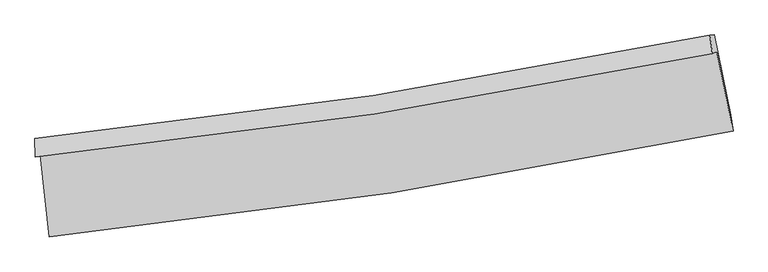
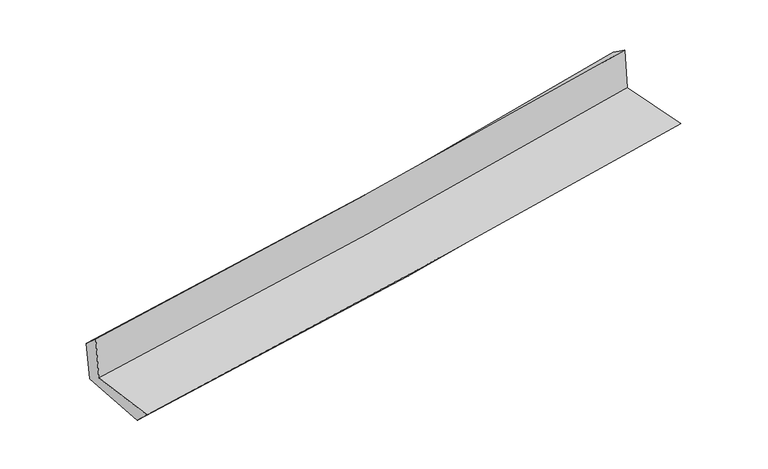
"""IFC4 building model written with IfcOpenShell, lengths in millimetres: proxy geometry."""

from ifc_helpers import new_model, si_unit, frame, origin, place, context, project, spatial, source, transform, mapped, element, save
from ifc_brep_helpers import plane_surface, spline_curve, spline_surface, advanced_brep


def generic_models_e4289ba4(model_context):
    return source(origin(), model_context, "Body", "AdvancedBrep", [
        advanced_brep(
        [(-2761.9991445, -1894.3451353, 1638.1286228), (-2688.9029288, -2559.810874, 1646.4856371), (2845.5453269, -1702.8763935, 2100.4789332), (2713.7615566, -1057.6034126, 2116.0524513), (-2799.9864033, -1912.1456519, 2054.2252421), (2677.36389, -1074.6590594, 2514.7373399), (-2803.736067, -1761.1997004, 1918.7404066), (2658.1746768, -926.4297167, 2407.39911), (-2768.7313988, -1756.7924416, 1549.1833491), (2692.9552492, -922.021663, 2050.4402777), (-2691.9971046, -2403.5537672, 1498.0351752), (2828.4084664, -1570.2421, 2004.098639)],
        [
            (0, 1),
            (1, 2, spline_curve(3, [(-2688.9029288, -2559.810874, 1646.4856371), (-1763.818540815, -2463.456208328, 1750.118570283), (-841.042711728, -2344.067489198, 1839.717548447), (1003.79298366, -2058.618323405, 1991.167857478), (1925.833239406, -1892.362215577, 2052.899977841), (2845.5453269, -1702.8763935, 2100.4789332)], [4, 2, 4], [0.0, 9.15359580644653, 18.345986678445026])),
            (2, 3),
            (3, 0, spline_curve(3, [(2713.7615566, -1057.6034126, 2116.0524513), (1804.526931096, -1242.878800069, 2054.674004087), (892.625663451, -1405.344288395, 1984.054074284), (-932.650364676, -1684.066070769, 1824.668291272), (-1846.002663677, -1800.514490374, 1735.980278515), (-2761.9991445, -1894.3451353, 1638.1286228)], [4, 2, 4], [0.0, 9.192390871998496, 18.345986678445026])),
            (4, 0),
            (3, 5),
            (5, 4, spline_curve(3, [(2677.36389, -1074.6590594, 2514.7373399), (1767.333908266, -1260.30714428, 2462.070894439), (854.902776174, -1423.020922512, 2397.254874823), (-970.90087926, -1701.989947025, 2243.648507777), (-1884.25317859, -1818.438366668, 2154.960494955), (-2799.9864033, -1912.1456519, 2054.2252421)], [4, 2, 4], [0.0, 9.144041139764171, 18.24949126655177])),
            (6, 4),
            (5, 7),
            (7, 6, spline_curve(3, [(2658.1746768, -926.4297167, 2407.39911), (1753.236439399, -1111.081957509, 2323.589693741), (844.637872426, -1273.071524045, 2240.879635696), (-976.029872488, -1551.137300132, 2078.002661055), (-1888.068220193, -1667.404394943, 1997.826484706), (-2803.736067, -1761.1997004, 1918.7404066)], [4, 2, 4], [0.0, 9.132810709434771, 18.227077802189196])),
            (8, 6),
            (7, 9),
            (9, 8, spline_curve(3, [(2692.9552492, -922.021663, 2050.4402777), (1787.182088496, -1106.791160193, 1973.677469227), (878.185696276, -1268.839297148, 1893.428967743), (-942.403668683, -1546.904844114, 1726.313965091), (-1853.969492446, -1663.113633402, 1639.47682381), (-2768.7313988, -1756.7924416, 1549.1833491)], [4, 2, 4], [0.0, 9.122528975964697, 18.206557727716742])),
            (10, 8),
            (9, 11),
            (11, 10, spline_curve(3, [(2828.4084664, -1570.2421, 2004.098639), (1912.171481469, -1751.697496285, 1926.771117779), (993.040280329, -1911.969979711, 1845.83861633), (-847.1192875, -2189.562114445, 1677.12043085), (-1768.123276971, -2307.060186657, 1589.365110935), (-2691.9971046, -2403.5537672, 1498.0351752)], [4, 2, 4], [0.0, 9.170803286387255, 18.30290261429257])),
            (1, 10),
            (11, 2),
        ],
        [
            spline_surface(3, 3, [[(-2761.9991445, -1894.3451353, 1638.1286228), (-1846.002663752, -1800.514490305, 1735.980278501), (-932.650364541, -1684.066070844, 1824.66829141), (892.625663315, -1405.344288319, 1984.054074144), (1804.526931107, -1242.878800209, 2054.674004062), (2713.7615566, -1057.6034126, 2116.0524513)], [(-2737.633739248, -2116.167048216, 1640.914294227), (-1818.607956088, -2021.495062968, 1740.693042372), (-902.114480197, -1904.06654361, 1829.684710421), (929.681436744, -1623.102300013, 1986.425335283), (1844.962367247, -1459.373272044, 2054.082662018), (2757.689480029, -1272.694406249, 2110.8612786)], [(-2713.268334052, -2337.988961084, 1643.699965673), (-1791.213248482, -2242.475635584, 1745.405806262), (-871.578595933, -2124.067016406, 1834.701129393), (966.737210092, -1840.860311738, 1988.796596382), (1885.397803401, -1675.867743832, 2053.491319976), (2801.617403471, -1487.785399851, 2105.6701059)], [(-2688.9029288, -2559.810874, 1646.4856371), (-1763.818540818, -2463.456208247, 1750.118570133), (-841.042711589, -2344.067489172, 1839.717548404), (1003.79298352, -2058.618323431, 1991.167857521), (1925.833239541, -1892.362215668, 2052.899977932), (2845.5453269, -1702.8763935, 2100.4789332)]], [4, 4], [4, 2, 4], [0.0, 2.1801289809783366], [0.0, 9.15359580644653, 18.345986678445026]),
            spline_surface(3, 3, [[(-2799.9864033, -1912.1456519, 2054.2252421), (-1884.253178602, -1818.438366522, 2154.960494986), (-970.900879391, -1701.989947061, 2243.648507796), (854.902776306, -1423.020922475, 2397.254874804), (1767.333908198, -1260.307144425, 2462.070894585), (2677.36389, -1074.6590594, 2514.7373399)], [(-2787.323983712, -1906.212146364, 1915.526369023), (-1871.503006997, -1812.463741114, 2015.300422848), (-958.150707787, -1696.015321653, 2103.988435657), (867.477071964, -1417.128711087, 2259.521274574), (1779.731582505, -1254.497696347, 2326.271931099), (2689.496445538, -1068.973843794, 2381.842377055)], [(-2774.661564088, -1900.278640836, 1776.827495877), (-1858.752835357, -1806.489115714, 1875.64035064), (-945.400536146, -1690.040696252, 1964.328363549), (880.051367658, -1411.236499707, 2121.787674375), (1792.129256799, -1248.688248287, 2190.472967549), (2701.629001062, -1063.288628206, 2248.947414145)], [(-2761.9991445, -1894.3451353, 1638.1286228), (-1846.002663752, -1800.514490305, 1735.980278501), (-932.650364541, -1684.066070844, 1824.66829141), (892.625663315, -1405.344288319, 1984.054074144), (1804.526931107, -1242.878800209, 2054.674004062), (2713.7615566, -1057.6034126, 2116.0524513)]], [4, 4], [4, 2, 4], [0.0, 1.3720064627499715], [0.0, 9.1054501267876, 18.24949126655177]),
            spline_surface(3, 3, [[(-2803.736067, -1761.1997004, 1918.7404066), (-1888.068220288, -1667.40439499, 1997.826484683), (-976.029872581, -1551.137300213, 2078.002661013), (844.637872519, -1273.071523964, 2240.879635739), (1753.236439442, -1111.0819575, 2323.589693835), (2658.1746768, -926.4297167, 2407.39911)], [(-2802.486179107, -1811.515017553, 1963.902018426), (-1886.796539733, -1717.749052153, 2050.20448811), (-974.320208193, -1601.421515858, 2133.21794326), (848.059507106, -1323.054656829, 2293.004715414), (1757.9355957, -1160.823686464, 2369.750094063), (2664.571081207, -975.839497589, 2443.178519944)], [(-2801.236291193, -1861.830334747, 2009.063630274), (-1885.524859157, -1768.093709359, 2102.582491559), (-972.610543779, -1651.705731417, 2188.433225548), (851.481141719, -1373.03778961, 2345.129795129), (1762.634751939, -1210.565415461, 2415.910494358), (2670.967485593, -1025.249278511, 2478.957929956)], [(-2799.9864033, -1912.1456519, 2054.2252421), (-1884.253178602, -1818.438366522, 2154.960494986), (-970.900879391, -1701.989947061, 2243.648507796), (854.902776306, -1423.020922475, 2397.254874804), (1767.333908198, -1260.307144425, 2462.070894585), (2677.36389, -1074.6590594, 2514.7373399)]], [4, 4], [4, 2, 4], [0.0, 0.7232546476800245], [0.0, 9.094267092754425, 18.227077802189196]),
            spline_surface(3, 3, [[(-2768.7313988, -1756.7924416, 1549.1833491), (-1853.96949251, -1663.113633255, 1639.476823949), (-942.403668646, -1546.904844089, 1726.3139652), (878.185696239, -1268.839297173, 1893.428967633), (1787.182088385, -1106.791160136, 1973.677469265), (2692.9552492, -922.021663, 2050.4402777)], [(-2780.399621523, -1758.261527893, 1672.369034911), (-1865.335735093, -1664.543887193, 1758.926710838), (-953.612403285, -1548.315662778, 1843.543530476), (867.003088338, -1270.250039418, 2009.245857007), (1775.866872071, -1108.221425952, 2090.314877461), (2681.361725067, -923.491014261, 2169.42655514)], [(-2792.067844277, -1759.730614107, 1795.554720789), (-1876.701977706, -1665.974141052, 1878.376597793), (-964.821137941, -1549.726481524, 1960.773095736), (855.82048042, -1271.660781719, 2125.062746365), (1764.551655756, -1109.651691685, 2206.952285639), (2669.768200933, -924.960365439, 2288.41283256)], [(-2803.736067, -1761.1997004, 1918.7404066), (-1888.068220288, -1667.40439499, 1997.826484683), (-976.029872581, -1551.137300213, 2078.002661013), (844.637872519, -1273.071523964, 2240.879635739), (1753.236439442, -1111.0819575, 2323.589693835), (2658.1746768, -926.4297167, 2407.39911)]], [4, 4], [4, 2, 4], [0.0, 1.1522183097663314], [0.0, 9.084028751752045, 18.206557727716742]),
            spline_surface(3, 3, [[(-2691.9971046, -2403.5537672, 1498.0351752), (-1768.123276936, -2307.06018671, 1589.365110893), (-847.119287555, -2189.562114382, 1677.120430803), (993.040280385, -1911.969979774, 1845.838616377), (1912.17148139, -1751.697496374, 1926.771117747), (2828.4084664, -1570.2421, 2004.098639)], [(-2717.57520268, -2187.966658638, 1515.084566513), (-1796.738682141, -2092.41133553, 1606.069015258), (-878.880747925, -1975.343024291, 1693.518275611), (954.755418997, -1697.593085581, 1861.702066805), (1870.508350395, -1536.728717603, 1942.406568264), (2783.257394007, -1354.168620975, 2019.545851911)], [(-2743.15330072, -1972.379550162, 1532.133957787), (-1825.354087305, -1877.762484435, 1622.772919584), (-910.642208276, -1761.123934179, 1709.916120392), (916.470557626, -1483.216191366, 1877.565517205), (1828.845219379, -1321.759938907, 1958.042018748), (2738.106321593, -1138.095142025, 2034.993064789)], [(-2768.7313988, -1756.7924416, 1549.1833491), (-1853.96949251, -1663.113633255, 1639.476823949), (-942.403668646, -1546.904844089, 1726.3139652), (878.185696239, -1268.839297173, 1893.428967633), (1787.182088385, -1106.791160136, 1973.677469265), (2692.9552492, -922.021663, 2050.4402777)]], [4, 4], [4, 2, 4], [0.0, 2.143128712917126], [0.0, 9.132099327905316, 18.30290261429257]),
            spline_surface(3, 3, [[(-2688.9029288, -2559.810874, 1646.4856371), (-1763.818540818, -2463.456208247, 1750.118570133), (-841.042711589, -2344.067489172, 1839.717548404), (1003.79298352, -2058.618323431, 1991.167857521), (1925.833239541, -1892.362215668, 2052.899977932), (2845.5453269, -1702.8763935, 2100.4789332)], [(-2689.93432073, -2507.725171737, 1597.002149799), (-1765.253452854, -2411.324201071, 1696.534083719), (-843.068236916, -2292.565697571, 1785.5185092), (1000.208749136, -2009.735542209, 1942.724777135), (1921.279320143, -1845.473975902, 2010.85702452), (2839.833040053, -1658.664962332, 2068.35216845)], [(-2690.96571267, -2455.639469463, 1547.518662501), (-1766.6883649, -2359.192193886, 1642.949597307), (-845.093762228, -2241.063905982, 1731.319470008), (996.624514768, -1960.852760997, 1894.281696762), (1916.725400788, -1798.58573614, 1968.814071159), (2834.120753247, -1614.453531168, 2036.22540375)], [(-2691.9971046, -2403.5537672, 1498.0351752), (-1768.123276936, -2307.06018671, 1589.365110893), (-847.119287555, -2189.562114382, 1677.120430803), (993.040280385, -1911.969979774, 1845.838616377), (1912.17148139, -1751.697496374, 1926.771117747), (2828.4084664, -1570.2421, 2004.098639)]], [4, 4], [4, 2, 4], [0.0, 0.7069637237167611], [0.0, 9.190509080011795, 18.41996967260446]),
            plane_surface(frame((2736.034861, -1208.9720576, 2198.8677919), z_axis=(0.9755675002228006, 0.19688683487714168, 0.09748654656462762), x_axis=(-0.09696923698141767, -0.01228978083040252, 0.9952114993137803))),
            plane_surface(frame((-2752.5588411, -2047.9745951, 1717.4664055), z_axis=(-0.989392999100273, -0.10987044883818013, -0.09502619535404128), x_axis=(-0.10917698310309558, 0.9939439540377153, -0.012482090865666252))),
        ],
        [
            (0, [[1, 2, 3, 4]]),
            (1, [[5, -4, 6, 7]]),
            (2, [[8, -7, 9, 10]]),
            (3, [[11, -10, 12, 13]]),
            (4, [[14, -13, 15, 16]]),
            (5, [[17, -16, 18, -2]]),
            (6, [[-12, -9, -6, -3, -18, -15]]),
            (7, [[-1, -5, -8, -11, -14, -17]]),
        ],
    ),
    ])


if __name__ == "__main__":
    model = new_model("IFC4")
    model_context = context("Model", 3, world=origin())
    ifc_project = project(units=[si_unit("LENGTHUNIT", "METRE", prefix="MILLI")], contexts=[model_context])
    site = spatial("IfcSite", under=ifc_project)
    building = spatial("IfcBuilding", under=site)
    placement = place(None, origin())
    generic_models_shape = generic_models_e4289ba4(model_context)
    element("IfcBuildingElementProxy", 1, Name="Generic Models", at=placement, inside=building, context=model_context, shape_type="MappedRepresentation", body=[
        mapped(generic_models_shape, transform((0.0, 0.0, 0.0), x_axis=(1.0, 0.0, 0.0), y_axis=(0.0, 1.0, 0.0), z_axis=(0.0, 0.0, 1.0))),
    ])
    save(model, "model.ifc")
